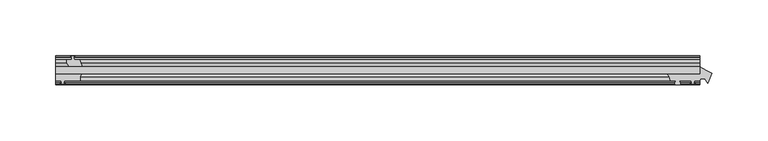
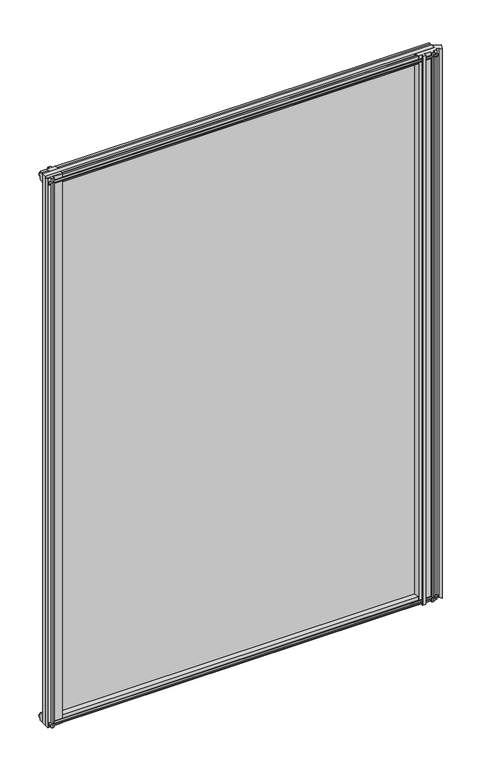
"""IFC4 building model written with IfcOpenShell, lengths in millimetres: plate geometry."""

from ifc_helpers import new_model, si_unit, point, frame, frame_2d, origin, place, context, project, spatial, polyline, circle_curve, trimmed, segment, composite_curve, outline, extrude, source, transform, mapped, element, save


def plate_0365b506(model_context):
    return source(origin(), model_context, "Body", "SweptSolid", [
        extrude(outline(polyline([(-311.15, -19.5460937), (267.3945313, -19.5460937), (267.3945313, -25.8960937), (-311.15, -25.8960937), (-311.15, -19.5460937)])), frame((0.0, 0.0, -12.7), z_axis=(0.0, 0.0, 1.0), x_axis=(1.0, 0.0, 0.0)), (0.0, 0.0, 1.0), 863.6),
        extrude(outline(composite_curve([segment(polyline([(237.6057169, -25.8960938), (267.4410747, -25.8960938), (267.4410747, -19.5460937)]), True, "CONTINUOUS"), segment(trimmed(circle_curve(frame_2d((296.6243476, 19.1383188)), 48.4576846), [point((267.4410747, -19.5460937))], [point((278.0733986, -25.6278457))], True, "CARTESIAN"), True, "CONTINUOUS"), segment(polyline([(278.0733986, -25.6278457), (274.3855131, -34.5272548), (271.9754518, -30.3775881), (268.2585763, -30.3775881), (267.4410747, -32.2460938), (262.3610747, -32.2460938), (262.0435747, -34.3506957), (263.2621806, -34.0241712), (263.2621806, -34.8393477), (261.0910747, -35.4210938), (258.9199688, -34.8393477), (258.9199688, -34.0241712), (260.1385747, -34.3506957), (259.8210747, -32.2460938), (249.4324747, -32.2460938)]), True, "CONTINUOUS"), segment(trimmed(circle_curve(frame_2d((249.4324747, -32.7032938)), 0.4572), [point((249.4324747, -32.2460938))], [point((249.0936568, -33.0102698))], True, "CARTESIAN"), True, "CONTINUOUS"), segment(trimmed(circle_curve(frame_2d((247.3242747, -34.613367)), 2.3876), [point((249.0936568, -33.0102698))], [point((249.3949177, -35.8020937))], False, "CARTESIAN"), True, "CONTINUOUS"), segment(polyline([(249.3949177, -35.8020937), (245.2536317, -35.8020938)]), True, "CONTINUOUS"), segment(trimmed(circle_curve(frame_2d((247.3242747, -34.613367)), 2.3876), [point((245.2536317, -35.8020938))], [point((245.5548925, -33.0102698))], False, "CARTESIAN"), True, "CONTINUOUS"), segment(trimmed(circle_curve(frame_2d((245.2160747, -32.7032938)), 0.4572), [point((245.5548925, -33.0102698))], [point((245.2160747, -32.2460938))], True, "CARTESIAN"), True, "CONTINUOUS"), segment(polyline([(245.2160747, -32.2460938), (240.9742747, -32.2460938)]), True, "CONTINUOUS"), segment(trimmed(circle_curve(frame_2d((229.9374273, -34.0324587)), 11.1804786), [point((240.9742747, -32.2460938))], [point((237.6057169, -25.8960938))], True, "CARTESIAN"), True, "CONTINUOUS")], self_intersect=False)), frame((0.0, 0.0, -12.7), z_axis=(0.0, 0.0, 1.0), x_axis=(1.0, 0.0, 0.0)), (0.0, 0.0, 1.0), 863.6),
        extrude(outline(composite_curve([segment(polyline([(-311.1542854, -32.2460937), (-311.1542854, -25.8960937), (-287.8322351, -25.8960937)]), True, "CONTINUOUS"), segment(trimmed(circle_curve(frame_2d((-280.043449, -30.5054843)), 9.0505066), [point((-287.8322351, -25.8960937))], [point((-288.925, -32.2460937))], True, "CARTESIAN"), True, "CONTINUOUS"), segment(polyline([(-288.925, -32.2460937), (-303.5342854, -32.2460937), (-303.8517854, -34.3506957), (-302.6331795, -34.0241712), (-302.4293854, -34.7847412), (-304.8042854, -35.4210937), (-307.1791854, -34.7847412), (-306.9753913, -34.0241712), (-305.7567854, -34.3506957), (-306.0742854, -32.2460937), (-311.1542854, -32.2460937)]), True, "CONTINUOUS")], self_intersect=False)), frame((0.0, 0.0, -12.7), z_axis=(0.0, 0.0, 1.0), x_axis=(1.0, 0.0, 0.0)), (0.0, 0.0, 1.0), 863.6),
        extrude(outline(polyline([(-296.5577, -10.8158968), (-297.973229, -11.27583), (-297.973229, -10.4746158), (-295.7957, -9.7670937), (-293.6181709, -10.4746158), (-293.6181709, -11.27583), (-295.0337, -10.8158968), (-294.6527, -13.1960937), (-289.4457, -13.1960937), (-287.3404229, -19.5460937), (-299.1710038, -19.5460937), (-301.3837, -16.1424937), (-301.3837, -13.1960937), (-296.9387, -13.1960937), (-296.5577, -10.8158968)])), frame((0.0, 0.0, -12.7), z_axis=(0.0, 0.0, 1.0), x_axis=(1.0, 0.0, 0.0)), (0.0, 0.0, 1.0), 863.6),
        extrude(outline(polyline([(-13.1960937, 850.6587), (-13.1960937, 846.2137), (-10.8158968, 845.8327), (-11.27583, 847.248229), (-10.4746158, 847.248229), (-9.7670937, 845.0707), (-10.4746158, 842.8931709), (-11.27583, 842.8931709), (-10.8158968, 844.3087), (-13.1960937, 843.9277), (-13.1960937, 838.7207), (-19.5460937, 836.6154229), (-19.5460937, 848.4460038), (-16.1424937, 850.6587), (-13.1960937, 850.6587)])), frame((-311.15, 0.0, 0.0), z_axis=(1.0, 0.0, 0.0), x_axis=(0.0, 1.0, 0.0)), (0.0, 0.0, 1.0), 578.5445313),
        extrude(outline(polyline([(-29.2996937, 850.138), (-25.8960937, 847.9253038), (-25.8960937, 836.0947229), (-32.2460937, 838.2), (-32.2460937, 843.407), (-34.6262907, 843.788), (-34.1663575, 842.3724709), (-34.9675717, 842.3724709), (-35.6750937, 844.55), (-34.9675717, 846.7275291), (-34.1663575, 846.7275291), (-34.6262907, 845.312), (-32.2460937, 845.693), (-32.2460937, 850.138), (-29.2996937, 850.138)])), frame((-311.15, 0.0, 0.0), z_axis=(1.0, 0.0, 0.0), x_axis=(0.0, 1.0, 0.0)), (0.0, 0.0, 1.0), 578.5445313),
        extrude(outline(polyline([(-25.8960937, 2.1052771), (-25.8960937, -9.7253038), (-29.2996937, -11.938), (-32.2460937, -11.938), (-32.2460937, -7.493), (-34.6262907, -7.112), (-34.1663575, -8.5275291), (-34.9675717, -8.5275291), (-35.6750937, -6.35), (-34.9675717, -4.1724709), (-34.1663575, -4.1724709), (-34.6262907, -5.588), (-32.2460937, -5.207), (-32.2460937, 0.0), (-25.8960937, 2.1052771)])), frame((-311.15, 0.0, 0.0), z_axis=(1.0, 0.0, 0.0), x_axis=(0.0, 1.0, 0.0)), (0.0, 0.0, 1.0), 578.5445313),
        extrude(outline(polyline([(-19.5460937, 1.5845771), (-13.1960937, -0.5207), (-13.1960937, -5.7277), (-10.8158968, -6.1087), (-11.27583, -4.6931709), (-10.4746158, -4.6931709), (-9.7670937, -6.8707), (-10.4746158, -9.048229), (-11.27583, -9.048229), (-10.8158968, -7.6327), (-13.1960937, -8.0137), (-13.1960937, -12.4587), (-16.1424937, -12.4587), (-19.5460937, -10.2460038), (-19.5460937, 1.5845771)])), frame((-311.15, 0.0, 0.0), z_axis=(1.0, 0.0, 0.0), x_axis=(0.0, 1.0, 0.0)), (0.0, 0.0, 1.0), 578.5445313),
    ])


if __name__ == "__main__":
    model = new_model("IFC4")
    model_context = context("Model", 3, world=origin())
    ifc_project = project(units=[si_unit("LENGTHUNIT", "METRE", prefix="MILLI")], contexts=[model_context])
    site = spatial("IfcSite", under=ifc_project)
    building = spatial("IfcBuilding", under=site)
    placement = place(None, origin())
    plate_shape = plate_0365b506(model_context)
    element("IfcPlate", 1, at=placement, inside=building, context=model_context, shape_type="MappedRepresentation", body=[
        mapped(plate_shape, transform((0.0, 0.0, 0.0), x_axis=(1.0, 0.0, 0.0), y_axis=(0.0, 1.0, 0.0), z_axis=(0.0, 0.0, 1.0))),
    ])
    save(model, "model.ifc")
